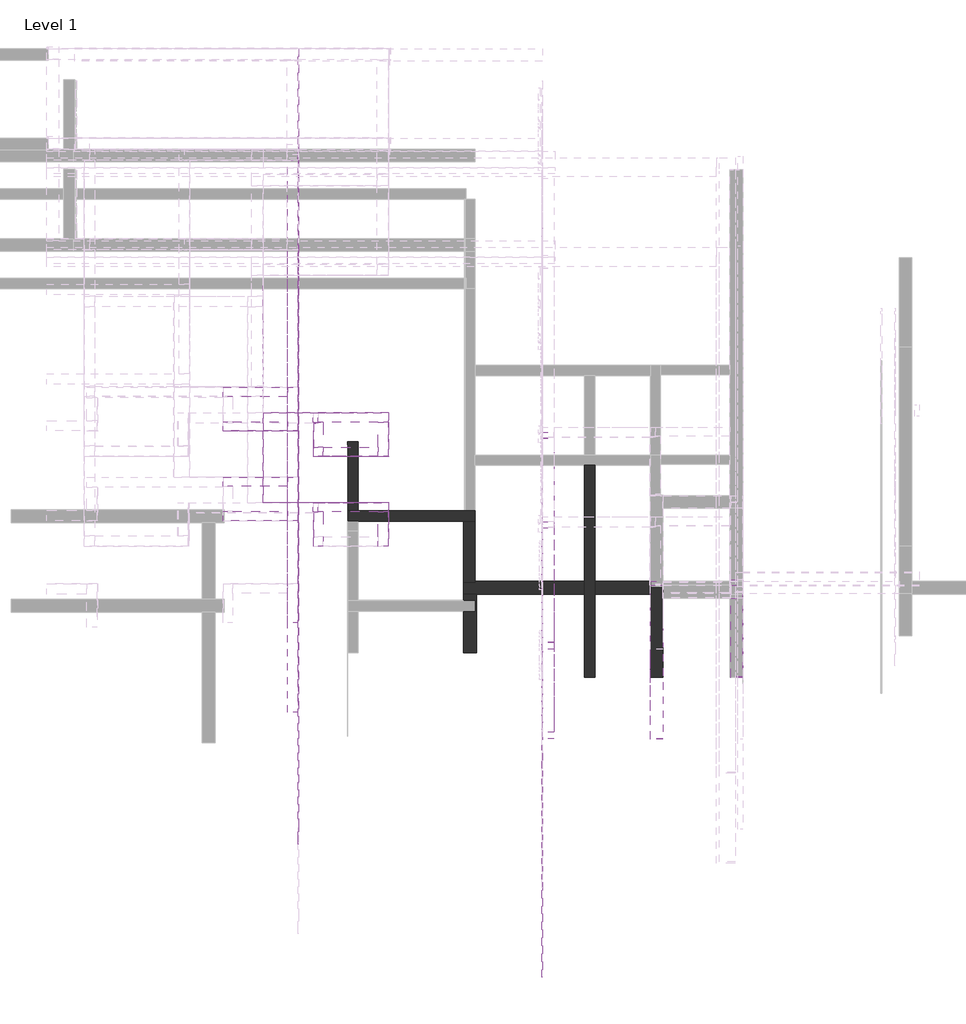
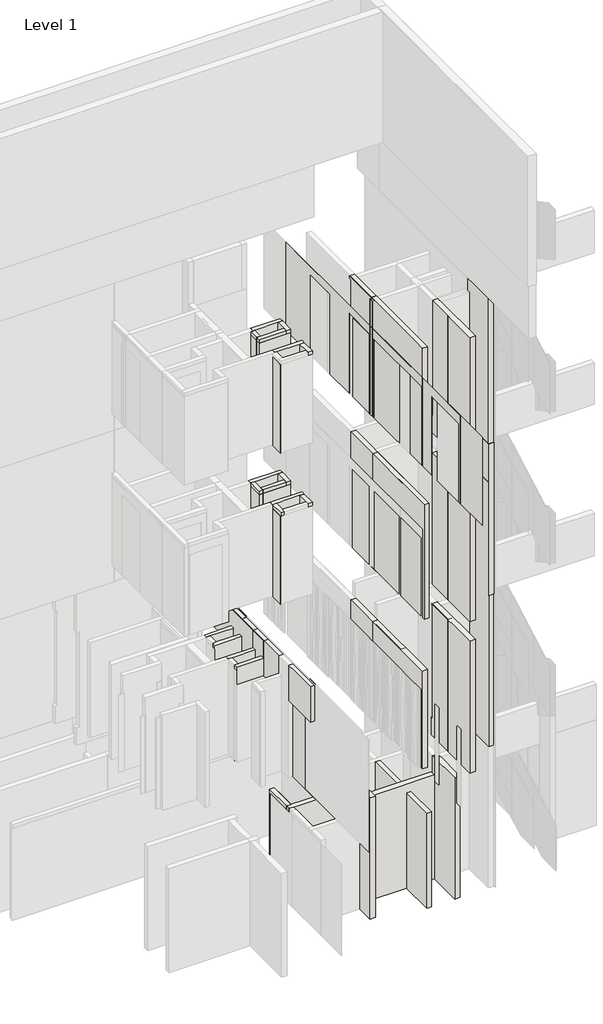
# One storey, part 4 of 16: 61 walls.
"""IFC4 building model written with IfcOpenShell, lengths in millimetres."""

from ifc_helpers import new_model, si_unit, frame, origin, origin_with_axes, place, context, project, spatial, polyline, outline, extrude, faceted_brep, element, save

model = new_model("IFC4")

# Units and contexts
model_context = context("Model", 3, world=origin())
ifc_project = project(units=[si_unit("LENGTHUNIT", "METRE", prefix="MILLI")], contexts=[model_context])

# Site, building, storey
site = spatial("IfcSite", under=ifc_project)
building = spatial("IfcBuilding", under=site)
storey = spatial("IfcBuildingStorey", under=building, Name="Level 1", Elevation=0.0)

# Walls
placement = place(None, origin())
element("IfcWall", 1, at=placement, inside=storey, context=model_context, shape_type="Brep", body=[
    faceted_brep([(10614.7910444, 3666.119403, 4000.0), (10614.7910444, 5264.119403, 4000.0), (10614.7910444, 5323.1090398, 4000.0), (10614.7910444, 5408.119403, 4000.0), (10614.7910444, 5454.1090398, 4000.0), (10614.7910444, 5454.1090398, 4500.0), (10614.7910444, 5421.619403, 4500.0), (10614.7910444, 5421.619403, 7745.0), (10614.7910444, 5408.119403, 7745.0), (10614.7910444, 5264.119403, 7745.0), (10614.7910444, 3666.119403, 7745.0), (10470.7910444, 3666.119403, 4000.0), (10470.7910444, 3666.119403, 7745.0), (10470.7910444, 5421.619403, 7745.0), (10470.7910444, 5421.619403, 4500.0), (10470.7910444, 5454.1090398, 4500.0), (10470.7910444, 5454.1090398, 4000.0), (10588.7910444, 5421.619403, 4500.0)], [[[0, 1, 2, 3, 4, 5, 6, 7, 8, 9, 10]], [[11, 12, 13, 14, 15, 16]], [[4, 3, 2, 1, 0, 11, 16]], [[10, 9, 8, 7, 13, 12]], [[0, 10, 12, 11]], [[7, 6, 17, 14, 13]], [[14, 17, 6, 5, 15]], [[5, 4, 16, 15]]]),
])
element("IfcWall", 2, at=placement, inside=storey, context=model_context, shape_type="Brep", body=[
    faceted_brep([(11519.7910453, 4372.619403, 4000.0), (11519.7910453, 5264.119403, 4000.0), (11519.7910453, 5264.119403, 7700.0), (11519.7910453, 5264.119403, 7745.0), (11519.7910453, 5264.119403, 11500.0), (11519.7910453, 4372.619403, 11500.0), (11388.7910453, 4372.619403, 4000.0), (11388.7910453, 4372.619403, 11500.0), (11388.7910453, 5264.119403, 11500.0), (11388.7910453, 5264.119403, 7745.0), (11388.7910453, 5264.119403, 7700.0), (11388.7910453, 5264.119403, 4000.0)], [[[0, 1, 2, 3, 4, 5]], [[6, 7, 8, 9, 10, 11]], [[1, 0, 6, 11]], [[5, 4, 8, 7]], [[0, 5, 7, 6]], [[1, 11, 10, 9, 8, 4, 3, 2]]]),
])
element("IfcWall", 3, at=placement, inside=storey, context=model_context, shape_type="Brep", body=[
    faceted_brep([(10614.7910444, 3666.119403, 8300.0), (10614.7910444, 5264.119403, 8300.0), (10614.7910444, 5310.1090398, 8300.0), (10614.7910444, 5408.119403, 8300.0), (10614.7910444, 5408.119403, 12045.0), (10614.7910444, 5310.1090398, 12045.0), (10614.7910444, 5264.119403, 12045.0), (10614.7910444, 3666.119403, 12045.0), (10470.7910444, 3666.119403, 8300.0), (10470.7910444, 3666.119403, 12045.0), (10470.7910444, 5408.119403, 12045.0), (10470.7910444, 5408.119403, 8300.0), (10588.7910444, 5408.119403, 12045.0)], [[[0, 1, 2, 3, 4, 5, 6, 7]], [[8, 9, 10, 11]], [[3, 2, 1, 0, 8, 11]], [[7, 6, 5, 4, 12, 10, 9]], [[0, 7, 9, 8]], [[3, 11, 10, 12, 4]]]),
])
element("IfcWall", 4, at=placement, inside=storey, context=model_context, shape_type="Brep", body=[
    faceted_brep([(11519.7910444, 4359.619403, 8300.0), (11519.7910444, 5470.4392718, 8300.0), (11519.7910444, 5470.4392718, 11908.0), (11519.7910444, 5393.9392718, 11908.0), (11519.7910444, 5393.9392718, 12045.0), (11519.7910444, 5393.9392718, 12600.0), (11519.7910444, 4359.619403, 12600.0), (11388.7910444, 4359.619403, 8300.0), (11388.7910444, 4359.619403, 12600.0), (11388.7910444, 5393.9392718, 12600.0), (11388.7910444, 5393.9392718, 11908.0), (11388.7910444, 5470.4392718, 11908.0), (11388.7910444, 5470.4392718, 8300.0), (11388.7910444, 5408.119403, 8300.0), (11388.7910444, 5264.119403, 8300.0)], [[[0, 1, 2, 3, 4, 5, 6]], [[7, 8, 9, 10, 11, 12, 13, 14]], [[1, 0, 7, 14, 13, 12]], [[6, 5, 9, 8]], [[0, 6, 8, 7]], [[1, 12, 11, 2]], [[10, 3, 2, 11]], [[5, 4, 3, 10, 9]]]),
])
element("IfcWall", 5, at=placement, inside=storey, context=model_context, shape_type="Brep", body=[
    faceted_brep([(10614.7910444, 3666.119403, 12600.0), (10614.7910444, 5264.119403, 12600.0), (10614.7910444, 5323.1090398, 12600.0), (10614.7910444, 5408.119403, 12600.0), (10614.7910444, 5408.119403, 16367.0), (10614.7910444, 5323.1090398, 16367.0), (10614.7910444, 5264.119403, 16367.0), (10614.7910444, 3666.119403, 16367.0), (10470.7910444, 3666.119403, 12600.0), (10470.7910444, 3666.119403, 16367.0), (10470.7910444, 5408.119403, 16367.0), (10470.7910444, 5408.119403, 12600.0), (10588.2910444, 5408.119403, 16367.0)], [[[0, 1, 2, 3, 4, 5, 6, 7]], [[8, 9, 10, 11]], [[3, 2, 1, 0, 8, 11]], [[7, 6, 5, 4, 12, 10, 9]], [[0, 7, 9, 8]], [[3, 11, 10, 12, 4]]]),
])
element("IfcWall", 6, at=placement, inside=storey, context=model_context, shape_type="Brep", body=[
    faceted_brep([(11514.2910444, 4372.619403, 12600.0), (11514.2910444, 5408.119403, 12600.0), (11514.2910444, 5408.119403, 16367.0), (11514.2910444, 5336.119403, 16367.0), (11514.2910444, 5336.119403, 16879.0), (11514.2910444, 4372.619403, 16879.0), (11383.2910444, 4372.619403, 12600.0), (11383.2910444, 4372.619403, 16879.0), (11383.2910444, 5336.119403, 16879.0), (11383.2910444, 5336.119403, 16367.0), (11383.2910444, 5408.119403, 16367.0), (11383.2910444, 5408.119403, 12600.0), (11383.2910444, 5336.119403, 12600.0), (11383.2910444, 5323.1090398, 12600.0), (11383.2910444, 5264.119403, 12600.0)], [[[0, 1, 2, 3, 4, 5]], [[6, 7, 8, 9, 10, 11, 12, 13, 14]], [[1, 0, 6, 14, 13, 12, 11]], [[5, 4, 8, 7]], [[0, 5, 7, 6]], [[4, 3, 9, 8]], [[9, 3, 2, 10]], [[2, 1, 11, 10]]]),
])
element("IfcWall", 7, at=placement, inside=storey, context=model_context, shape_type="SweptSolid", body=[
    extrude(outline(polyline([(9377.7910444, 6062.119403), (9377.7910444, 3742.119403), (9246.7910444, 3742.119403), (9246.7910444, 6062.119403), (9377.7910444, 6062.119403)])), frame((0.0, 0.0, 4500.0), z_axis=(0.0, 0.0, 1.0), x_axis=(1.0, 0.0, 0.0)), (0.0, 0.0, 1.0), 2779.0),
])
element("IfcWall", 8, at=placement, inside=storey, context=model_context, shape_type="SweptSolid", body=[
    extrude(outline(polyline([(9377.7910444, 6060.619403), (9377.7910444, 3666.119403), (9246.7910444, 3666.119403), (9246.7910444, 6060.619403), (9377.7910444, 6060.619403)])), frame((0.0, 0.0, 8800.0), z_axis=(0.0, 0.0, 1.0), x_axis=(1.0, 0.0, 0.0)), (0.0, 0.0, 1.0), 3245.0),
])
element("IfcWall", 9, at=placement, inside=storey, context=model_context, shape_type="SweptSolid", body=[
    extrude(outline(polyline([(3744.119403, 13100.0), (3744.119403, 16440.0), (6126.119403, 16440.0), (6126.119403, 16367.0), (6067.119403, 16367.0), (6067.119403, 13100.0), (3744.119403, 13100.0)])), frame((9246.7910453, 0.0, 0.0), z_axis=(1.0, 0.0, 0.0), x_axis=(0.0, 1.0, 0.0)), (0.0, 0.0, 1.0), 131.0),
])
element("IfcWall", 10, at=placement, inside=storey, context=model_context, shape_type="Brep", body=[
    faceted_brep([(10614.7910444, 4366.119403, 0.0), (10614.7910444, 5264.119403, 0.0), (10614.7910444, 5310.1090398, 0.0), (10614.7910444, 5382.1090398, 0.0), (10614.7910444, 5382.1090398, 2700.0), (10614.7910444, 5454.1090398, 2700.0), (10614.7910444, 5454.1090398, 2850.0), (10614.7910444, 5408.119403, 2850.0), (10614.7910444, 5408.119403, 3437.0370192), (10614.7910444, 4366.119403, 3437.0370192), (10470.7910444, 4366.119403, 0.0), (10470.7910444, 4366.119403, 3437.0370192), (10470.7910444, 5408.119403, 3437.0370192), (10470.7910444, 5408.119403, 2850.0), (10470.7910444, 5454.1090398, 2850.0), (10470.7910444, 5454.1090398, 2700.0), (10470.7910444, 5382.1090398, 2700.0), (10470.7910444, 5382.1090398, 0.0), (10470.7910444, 5310.1090398, 0.0), (10588.7910444, 5382.1090398, 0.0), (10588.7910444, 5382.1090398, 2700.0), (10588.7910444, 5454.1090398, 2700.0)], [[[0, 1, 2, 3, 4, 5, 6, 7, 8, 9]], [[10, 11, 12, 13, 14, 15, 16, 17, 18]], [[3, 2, 1, 0, 10, 18, 17, 19]], [[9, 8, 12, 11]], [[0, 9, 11, 10]], [[4, 3, 19, 17, 16, 20]], [[15, 21, 5, 4, 20, 16]], [[13, 7, 6, 14]], [[6, 5, 21, 15, 14]], [[7, 13, 12, 8]]]),
])
element("IfcWall", 11, at=placement, inside=storey, context=model_context, shape_type="Brep", body=[
    faceted_brep([(9841.7910444, 4366.119403, 0.0), (9841.7910444, 5310.1090398, 0.0), (9841.7910444, 5454.1090398, 0.0), (9841.7910444, 6767.119403, 0.0), (9841.7910444, 6767.119403, 2700.0), (9841.7910444, 5454.1090398, 2700.0), (9841.7910444, 5310.1090398, 2700.0), (9841.7910444, 4366.119403, 2700.0), (9723.7910444, 4366.119403, 0.0), (9723.7910444, 4366.119403, 2700.0), (9723.7910444, 5310.1090398, 2700.0), (9723.7910444, 5454.1090398, 2700.0), (9723.7910444, 6767.119403, 2700.0), (9723.7910444, 6767.119403, 0.0), (9723.7910444, 5454.1090398, 0.0), (9723.7910444, 5310.1090398, 0.0)], [[[0, 1, 2, 3, 4, 5, 6, 7]], [[8, 9, 10, 11, 12, 13, 14, 15]], [[3, 2, 1, 0, 8, 15, 14, 13]], [[7, 6, 5, 4, 12, 11, 10, 9]], [[0, 7, 9, 8]], [[4, 3, 13, 12]]]),
])
element("IfcWall", 12, at=placement, inside=storey, context=model_context, shape_type="Brep", body=[
    faceted_brep([(7504.7910444, 6345.119403, 13100.0), (6706.2910444, 6345.119403, 13100.0), (6706.2910444, 6345.119403, 15700.0), (7504.7910444, 6345.119403, 15700.0), (7504.7910444, 6240.119403, 13100.0), (7504.7910444, 6240.119403, 15700.0), (7386.7910444, 6240.119403, 15700.0), (6758.7910444, 6240.119403, 15700.0), (6706.2910444, 6240.119403, 15700.0), (6706.2910444, 6240.119403, 13100.0), (6758.7910444, 6240.119403, 13100.0), (7386.7910444, 6240.119403, 13100.0)], [[[0, 1, 2, 3]], [[4, 5, 6, 7, 8, 9, 10, 11]], [[1, 0, 4, 11, 10, 9]], [[2, 1, 9, 8]], [[3, 2, 8, 7, 6, 5]], [[0, 3, 5, 4]]]),
])
element("IfcWall", 13, at=placement, inside=storey, context=model_context, shape_type="Brep", body=[
    faceted_brep([(7386.7910444, 6240.119403, 13100.0), (7386.7910444, 5957.119403, 13100.0), (7386.7910444, 5852.119403, 13100.0), (7386.7910444, 5852.119403, 15700.0), (7386.7910444, 5957.119403, 15700.0), (7386.7910444, 6240.119403, 15700.0), (7504.7910444, 6240.119403, 13100.0), (7504.7910444, 6240.119403, 15700.0), (7504.7910444, 5852.119403, 15700.0), (7504.7910444, 5852.119403, 13100.0)], [[[0, 1, 2, 3, 4, 5]], [[6, 7, 8, 9]], [[2, 1, 0, 6, 9]], [[5, 4, 3, 8, 7]], [[3, 2, 9, 8]], [[0, 5, 7, 6]]]),
])
element("IfcWall", 14, at=placement, inside=storey, context=model_context, shape_type="Brep", body=[
    faceted_brep([(6083.7910444, 6347.119403, 8800.0), (6083.7910444, 7243.1090398, 8800.0), (6083.7910444, 7361.1090398, 8800.0), (6083.7910444, 8918.119403, 8800.0), (6083.7910444, 8920.119403, 8800.0), (6083.7910444, 8920.119403, 11300.0), (6083.7910444, 8918.119403, 11300.0), (6083.7910444, 7361.1090398, 11300.0), (6083.7910444, 7243.1090398, 11300.0), (6083.7910444, 6347.119403, 11300.0), (6081.7910444, 6347.119403, 8800.0), (6081.7910444, 6347.119403, 11300.0), (6081.7910444, 7243.1090398, 11300.0), (6081.7910444, 7361.1090398, 11300.0), (6081.7910444, 8920.119403, 11300.0), (6081.7910444, 8920.119403, 8800.0), (6081.7910444, 7361.1090398, 8800.0), (6081.7910444, 7243.1090398, 8800.0)], [[[0, 1, 2, 3, 4, 5, 6, 7, 8, 9]], [[10, 11, 12, 13, 14, 15, 16, 17]], [[4, 3, 2, 1, 0, 10, 17, 16, 15]], [[9, 8, 7, 6, 5, 14, 13, 12, 11]], [[5, 4, 15, 14]], [[0, 9, 11, 10]]]),
])
element("IfcWall", 15, at=placement, inside=storey, context=model_context, shape_type="Brep", body=[
    faceted_brep([(5628.7910444, 6142.119403, 4500.0), (6361.7910444, 6142.119403, 4500.0), (6361.7910444, 6142.119403, 7200.0), (5628.7910444, 6142.119403, 7200.0), (5628.7910444, 6247.119403, 4500.0), (5628.7910444, 6247.119403, 7200.0), (5733.7910444, 6247.119403, 7200.0), (6361.7910444, 6247.119403, 7200.0), (6361.7910444, 6247.119403, 4500.0), (5733.7910444, 6247.119403, 4500.0)], [[[0, 1, 2, 3]], [[4, 5, 6, 7, 8, 9]], [[1, 0, 4, 9, 8]], [[3, 2, 7, 6, 5]], [[0, 3, 5, 4]], [[1, 8, 7, 2]]]),
])
element("IfcWall", 16, at=placement, inside=storey, context=model_context, shape_type="Brep", body=[
    faceted_brep([(6361.7910444, 6635.119403, 4500.0), (6361.7910444, 6530.119403, 4500.0), (6361.7910444, 6247.119403, 4500.0), (6361.7910444, 6142.119403, 4500.0), (6361.7910444, 6142.119403, 7200.0), (6361.7910444, 6142.119403, 7700.0), (6361.7910444, 6635.119403, 7700.0), (6361.7910444, 6635.119403, 7200.0), (6479.7910444, 6635.119403, 4500.0), (6479.7910444, 6635.119403, 7700.0), (6479.7910444, 6142.119403, 7700.0), (6479.7910444, 6142.119403, 4508.0), (6479.7910444, 6142.119403, 4500.0)], [[[0, 1, 2, 3, 4, 5, 6, 7]], [[8, 9, 10, 11, 12]], [[3, 2, 1, 0, 8, 12]], [[6, 5, 10, 9]], [[0, 7, 6, 9, 8]], [[3, 12, 11, 10, 5, 4]]]),
])
element("IfcWall", 17, at=placement, inside=storey, context=model_context, shape_type="Brep", body=[
    faceted_brep([(5625.2910444, 6530.119403, 4500.0), (5628.7910444, 6530.119403, 4500.0), (5733.7910444, 6530.119403, 4500.0), (6361.7910444, 6530.119403, 4500.0), (6361.7910444, 6530.119403, 7200.0), (5733.7910444, 6530.119403, 7200.0), (5628.7910444, 6530.119403, 7200.0), (5625.2910444, 6530.119403, 7200.0), (5625.2910444, 6635.119403, 4500.0), (5625.2910444, 6635.119403, 7200.0), (6361.7910444, 6635.119403, 7200.0), (6361.7910444, 6635.119403, 4500.0)], [[[0, 1, 2, 3, 4, 5, 6, 7]], [[8, 9, 10, 11]], [[3, 2, 1, 0, 8, 11]], [[7, 6, 5, 4, 10, 9]], [[0, 7, 9, 8]], [[4, 3, 11, 10]]]),
])
element("IfcWall", 18, at=placement, inside=storey, context=model_context, shape_type="Brep", body=[
    faceted_brep([(7504.7910444, 6345.119403, 8800.0), (6647.6745009, 6345.119403, 8800.0), (6647.6745009, 6345.119403, 11400.0), (7504.7910444, 6345.119403, 11400.0), (7504.7910444, 6240.119403, 8800.0), (7504.7910444, 6240.119403, 11400.0), (7386.7910444, 6240.119403, 11400.0), (6758.7910444, 6240.119403, 11400.0), (6653.7910444, 6240.119403, 11400.0), (6647.6745009, 6240.119403, 11400.0), (6647.6745009, 6240.119403, 8800.0), (6653.7910444, 6240.119403, 8800.0), (6758.7910444, 6240.119403, 8800.0), (7386.7910444, 6240.119403, 8800.0)], [[[0, 1, 2, 3]], [[4, 5, 6, 7, 8, 9, 10, 11, 12, 13]], [[1, 0, 4, 13, 12, 11, 10]], [[2, 1, 10, 9]], [[3, 2, 9, 8, 7, 6, 5]], [[0, 3, 5, 4]]]),
])
element("IfcWall", 19, at=placement, inside=storey, context=model_context, shape_type="Brep", body=[
    faceted_brep([(7504.7910444, 5852.119403, 8800.0), (7504.7910444, 6240.119403, 8800.0), (7504.7910444, 6240.119403, 11400.0), (7504.7910444, 5852.119403, 11400.0), (7386.7910444, 5852.119403, 8800.0), (7386.7910444, 5852.119403, 11400.0), (7386.7910444, 5957.119403, 11400.0), (7386.7910444, 6240.119403, 11400.0), (7386.7910444, 6240.119403, 8800.0), (7386.7910444, 5957.119403, 8800.0)], [[[0, 1, 2, 3]], [[4, 5, 6, 7, 8, 9]], [[1, 0, 4, 9, 8]], [[3, 2, 7, 6, 5]], [[2, 1, 8, 7]], [[0, 3, 5, 4]]]),
])
element("IfcWall", 20, at=placement, inside=storey, context=model_context, shape_type="Brep", body=[
    faceted_brep([(6758.7910444, 5852.119403, 8800.0), (6758.7910444, 5957.119403, 8800.0), (6758.7910444, 6240.119403, 8800.0), (6758.7910444, 6240.119403, 11400.0), (6758.7910444, 5957.119403, 11400.0), (6758.7910444, 5852.119403, 11400.0), (6653.7910444, 5852.119403, 8800.0), (6653.7910444, 5852.119403, 11400.0), (6653.7910444, 6240.119403, 11400.0), (6653.7910444, 6240.119403, 8800.0)], [[[0, 1, 2, 3, 4, 5]], [[6, 7, 8, 9]], [[2, 1, 0, 6, 9]], [[5, 4, 3, 8, 7]], [[0, 5, 7, 6]], [[3, 2, 9, 8]]]),
])
element("IfcWall", 21, at=placement, inside=storey, context=model_context, shape_type="Brep", body=[
    faceted_brep([(6651.7910444, 6223.619403, 8800.0), (6651.7910444, 5850.119403, 8800.0), (6651.7910444, 5850.119403, 11300.0), (6651.7910444, 6223.619403, 11300.0), (6653.7910444, 6223.619403, 8800.0), (6653.7910444, 6223.619403, 11300.0), (6653.7910444, 5852.119403, 11300.0), (6653.7910444, 5850.119403, 11300.0), (6653.7910444, 5850.119403, 8800.0), (6653.7910444, 5852.119403, 8800.0)], [[[0, 1, 2, 3]], [[4, 5, 6, 7, 8, 9]], [[1, 0, 4, 9, 8]], [[3, 2, 7, 6, 5]], [[0, 3, 5, 4]], [[2, 1, 8, 7]]]),
])
element("IfcWall", 22, at=placement, inside=storey, context=model_context, shape_type="Brep", body=[
    faceted_brep([(7506.7910444, 5852.119403, 8800.0), (7506.7910444, 6347.119403, 8800.0), (7506.7910444, 6347.119403, 11300.0), (7506.7910444, 5852.119403, 11300.0), (7504.7910444, 5852.119403, 8800.0), (7504.7910444, 5852.119403, 11300.0), (7504.7910444, 6345.119403, 11300.0), (7504.7910444, 6347.119403, 11300.0), (7504.7910444, 6347.119403, 8800.0), (7504.7910444, 6345.119403, 8800.0)], [[[0, 1, 2, 3]], [[4, 5, 6, 7, 8, 9]], [[1, 0, 4, 9, 8]], [[3, 2, 7, 6, 5]], [[0, 3, 5, 4]], [[2, 1, 8, 7]]]),
])
element("IfcWall", 23, at=placement, inside=storey, context=model_context, shape_type="Brep", body=[
    faceted_brep([(7504.7910444, 6347.119403, 8800.0), (6083.7910444, 6347.119403, 8800.0), (6081.7910444, 6347.119403, 8800.0), (6081.7910444, 6347.119403, 11300.0), (6083.7910444, 6347.119403, 11300.0), (7504.7910444, 6347.119403, 11300.0), (7504.7910444, 6345.119403, 8800.0), (7504.7910444, 6345.119403, 11300.0), (6081.7910444, 6345.119403, 11300.0), (6081.7910444, 6345.119403, 8800.0)], [[[0, 1, 2, 3, 4, 5]], [[6, 7, 8, 9]], [[2, 1, 0, 6, 9]], [[5, 4, 3, 8, 7]], [[0, 5, 7, 6]], [[3, 2, 9, 8]]]),
])
element("IfcWall", 24, at=placement, inside=storey, context=model_context, shape_type="Brep", body=[
    faceted_brep([(6651.7910444, 6223.619403, 13100.0), (6651.7910444, 5850.119403, 13100.0), (6651.7910444, 5850.119403, 15600.0), (6651.7910444, 6223.619403, 15600.0), (6653.7910444, 6223.619403, 13100.0), (6653.7910444, 6223.619403, 15600.0), (6653.7910444, 5852.119403, 15600.0), (6653.7910444, 5850.119403, 15600.0), (6653.7910444, 5850.119403, 13100.0), (6653.7910444, 5852.119403, 13100.0)], [[[0, 1, 2, 3]], [[4, 5, 6, 7, 8, 9]], [[1, 0, 4, 9, 8]], [[3, 2, 7, 6, 5]], [[0, 3, 5, 4]], [[2, 1, 8, 7]]]),
])
element("IfcWall", 25, at=placement, inside=storey, context=model_context, shape_type="Brep", body=[
    faceted_brep([(7506.7910444, 5852.119403, 13100.0), (7506.7910444, 6347.119403, 13100.0), (7506.7910444, 6347.119403, 15600.0), (7506.7910444, 5852.119403, 15600.0), (7504.7910444, 5852.119403, 13100.0), (7504.7910444, 5852.119403, 15600.0), (7504.7910444, 6345.119403, 15600.0), (7504.7910444, 6347.119403, 15600.0), (7504.7910444, 6347.119403, 13100.0), (7504.7910444, 6345.119403, 13100.0)], [[[0, 1, 2, 3]], [[4, 5, 6, 7, 8, 9]], [[1, 0, 4, 9, 8]], [[3, 2, 7, 6, 5]], [[0, 3, 5, 4]], [[2, 1, 8, 7]]]),
])
element("IfcWall", 26, at=placement, inside=storey, context=model_context, shape_type="Brep", body=[
    faceted_brep([(7504.7910444, 6347.119403, 13100.0), (6083.7910444, 6347.119403, 13100.0), (6081.7910444, 6347.119403, 13100.0), (6081.7910444, 6347.119403, 15600.0), (6083.7910444, 6347.119403, 15600.0), (7504.7910444, 6347.119403, 15600.0), (7504.7910444, 6345.119403, 13100.0), (7504.7910444, 6345.119403, 15600.0), (6081.7910444, 6345.119403, 15600.0), (6081.7910444, 6345.119403, 13100.0)], [[[0, 1, 2, 3, 4, 5]], [[6, 7, 8, 9]], [[2, 1, 0, 6, 9]], [[5, 4, 3, 8, 7]], [[0, 5, 7, 6]], [[3, 2, 9, 8]]]),
])
element("IfcWall", 27, at=placement, inside=storey, context=model_context, shape_type="Brep", body=[
    faceted_brep([(6083.7910444, 6347.119403, 13100.0), (6083.7910444, 7243.1090398, 13100.0), (6083.7910444, 7361.1090398, 13100.0), (6083.7910444, 8918.119403, 13100.0), (6083.7910444, 8920.119403, 13100.0), (6083.7910444, 8920.119403, 15600.0), (6083.7910444, 8918.119403, 15600.0), (6083.7910444, 7361.1090398, 15600.0), (6083.7910444, 7243.1090398, 15600.0), (6083.7910444, 6347.119403, 15600.0), (6081.7910444, 6347.119403, 13100.0), (6081.7910444, 6347.119403, 15600.0), (6081.7910444, 7243.1090398, 15600.0), (6081.7910444, 7361.1090398, 15600.0), (6081.7910444, 8920.119403, 15600.0), (6081.7910444, 8920.119403, 13100.0), (6081.7910444, 7361.1090398, 13100.0), (6081.7910444, 7243.1090398, 13100.0)], [[[0, 1, 2, 3, 4, 5, 6, 7, 8, 9]], [[10, 11, 12, 13, 14, 15, 16, 17]], [[4, 3, 2, 1, 0, 10, 17, 16, 15]], [[9, 8, 7, 6, 5, 14, 13, 12, 11]], [[0, 9, 11, 10]], [[5, 4, 15, 14]]]),
])
element("IfcWall", 28, at=placement, inside=storey, context=model_context, shape_type="SweptSolid", body=[
    extrude(outline(polyline([(6361.7910444, 3969.619403), (6361.7910444, 9210.119403), (6479.7910444, 9210.119403), (6479.7910444, 3969.619403), (6361.7910444, 3969.619403)])), frame((0.0, 0.0, 6700.0), z_axis=(0.0, 0.0, 1.0), x_axis=(1.0, 0.0, 0.0)), (0.0, 0.0, 1.0), 1000.0),
])
element("IfcWall", 29, at=placement, inside=storey, context=model_context, shape_type="Brep", body=[
    faceted_brep([(9377.7910444, 4758.1090398, 4500.0), (9377.7910444, 6067.119403, 4500.0), (9377.7910444, 6185.119403, 4500.0), (9377.7910444, 7078.1090398, 4500.0), (9377.7910444, 7078.1090398, 7279.0), (9377.7910444, 4758.1090398, 7279.0), (9246.7910444, 4758.1090398, 4500.0), (9246.7910444, 4758.1090398, 7279.0), (9246.7910444, 7078.1090398, 7279.0), (9246.7910444, 7078.1090398, 4500.0)], [[[0, 1, 2, 3, 4, 5]], [[6, 7, 8, 9]], [[3, 2, 1, 0, 6, 9]], [[4, 3, 9, 8]], [[5, 4, 8, 7]], [[0, 5, 7, 6]]]),
])
element("IfcWall", 30, at=placement, inside=storey, context=model_context, shape_type="Brep", body=[
    faceted_brep([(9377.7910444, 4682.1090398, 8800.0), (9377.7910444, 6067.119403, 8800.0), (9377.7910444, 6185.119403, 8800.0), (9377.7910444, 7076.6090398, 8800.0), (9377.7910444, 7076.6090398, 12045.0), (9377.7910444, 6185.119403, 12045.0), (9377.7910444, 6067.119403, 12045.0), (9377.7910444, 4682.1090398, 12045.0), (9246.7910444, 4682.1090398, 8800.0), (9246.7910444, 4682.1090398, 12045.0), (9246.7910444, 7076.6090398, 12045.0), (9246.7910444, 7076.6090398, 8800.0)], [[[0, 1, 2, 3, 4, 5, 6, 7]], [[8, 9, 10, 11]], [[3, 2, 1, 0, 8, 11]], [[4, 3, 11, 10]], [[7, 6, 5, 4, 10, 9]], [[0, 7, 9, 8]]]),
])
element("IfcWall", 31, at=placement, inside=storey, context=model_context, shape_type="SweptSolid", body=[
    extrude(outline(polyline([(4760.1090398, 13100.0), (4760.1090398, 16440.0), (7142.1090398, 16440.0), (7142.1090398, 16367.0), (7083.1090398, 16367.0), (7083.1090398, 13100.0), (4760.1090398, 13100.0)])), frame((9246.7910453, 0.0, 0.0), z_axis=(1.0, 0.0, 0.0), x_axis=(0.0, 1.0, 0.0)), (0.0, 0.0, 1.0), 131.0),
])
element("IfcWall", 32, at=placement, inside=storey, context=model_context, shape_type="Brep", body=[
    faceted_brep([(8499.7910444, 4642.1090398, 0.0), (8499.7910444, 5310.1090398, 0.0), (8499.7910444, 5310.1090398, 3446.0), (8499.7910444, 4642.1090398, 3446.0), (8355.7910444, 4642.1090398, 0.0), (8355.7910444, 4642.1090398, 3446.0), (8355.7910444, 5310.1090398, 3446.0), (8355.7910444, 5310.1090398, 2950.0), (8355.7910444, 5310.1090398, 0.0), (8355.7910444, 5237.4496323, 0.0), (8355.7910444, 5235.4496323, 0.0)], [[[0, 1, 2, 3]], [[4, 5, 6, 7, 8, 9, 10]], [[1, 0, 4, 10, 9, 8]], [[3, 2, 6, 5]], [[0, 3, 5, 4]], [[2, 1, 8, 7, 6]]]),
])
element("IfcWall", 33, at=placement, inside=storey, context=model_context, shape_type="Brep", body=[
    faceted_brep([(8355.7910444, 5454.1090398, 2950.0), (10470.7910444, 5454.1090398, 2950.0), (10470.7910444, 5454.1090398, 2850.0), (10470.7910444, 5454.1090398, 2700.0), (10470.7910444, 5454.1090398, 0.0), (9841.7910444, 5454.1090398, 0.0), (9841.7910444, 5454.1090398, 2700.0), (9723.7910444, 5454.1090398, 2700.0), (9723.7910444, 5454.1090398, 0.0), (8355.7910444, 5454.1090398, 0.0), (10470.7910444, 5310.1090398, 2950.0), (8355.7910444, 5310.1090398, 2950.0), (8355.7910444, 5310.1090398, 0.0), (8499.7910444, 5310.1090398, 0.0), (9723.7910444, 5310.1090398, 0.0), (9723.7910444, 5310.1090398, 2700.0), (9841.7910444, 5310.1090398, 2700.0), (9841.7910444, 5310.1090398, 0.0), (10470.7910444, 5310.1090398, 0.0), (10470.7910444, 5408.119403, 0.0), (10470.7910444, 5382.1090398, 0.0)], [[[0, 1, 2, 3, 4, 5, 6, 7, 8, 9]], [[10, 11, 12, 13, 14, 15, 16, 17, 18]], [[12, 9, 8, 14, 13]], [[4, 19, 20, 18, 17, 5]], [[1, 0, 11, 10]], [[0, 9, 12, 11]], [[1, 10, 18, 20, 19, 4, 3, 2]], [[16, 6, 5, 17]], [[7, 15, 14, 8]], [[6, 16, 15, 7]]]),
])
element("IfcWall", 34, at=placement, inside=storey, context=model_context, shape_type="Brep", body=[
    faceted_brep([(8486.7910444, 6251.4392691, 2700.0), (8486.7910444, 6251.4392691, 0.0), (8368.7910444, 6251.4392691, 0.0), (8366.7910444, 6251.4392691, 0.0), (7158.7910444, 6251.4392691, 0.0), (7156.7910444, 6251.4392691, 0.0), (7038.7910444, 6251.4392691, 0.0), (7038.7910444, 6251.4392691, 2700.0), (7156.7910444, 6251.4392691, 2700.0), (7158.7910444, 6251.4392691, 2700.0), (8368.7910444, 6251.4392691, 2700.0), (8486.7910444, 6133.4392691, 0.0), (8486.7910444, 6133.4392691, 2700.0), (8355.7910444, 6133.4392691, 2700.0), (7156.7910444, 6133.4392691, 2700.0), (7038.7910444, 6133.4392691, 2700.0), (7038.7910444, 6133.4392691, 0.0), (7156.7910444, 6133.4392691, 0.0), (8355.7910444, 6133.4392691, 0.0), (8486.7910444, 6192.4392691, 2700.0)], [[[0, 1, 2, 3, 4, 5, 6, 7, 8, 9, 10]], [[11, 12, 13, 14, 15, 16, 17, 18]], [[6, 5, 4, 3, 2, 1, 11, 18, 17, 16]], [[0, 10, 9, 8, 7, 15, 14, 13, 12, 19]], [[7, 6, 16, 15]], [[0, 19, 12, 11, 1]]]),
])
element("IfcWall", 35, at=placement, inside=storey, context=model_context, shape_type="Brep", body=[
    faceted_brep([(8486.7910444, 5441.1090398, 0.0), (8486.7910444, 6133.4392691, 0.0), (8486.7910444, 6133.4392691, 2700.0), (8486.7910444, 6192.4392691, 2700.0), (8486.7910444, 6192.4392691, 3445.0), (8486.7910444, 5441.1090398, 3445.0), (8355.7910444, 5441.1090398, 0.0), (8355.7910444, 5441.1090398, 3445.0), (8355.7910444, 6192.4392691, 3445.0), (8355.7910444, 6192.4392691, 2700.0), (8355.7910444, 6133.4392691, 2700.0), (8355.7910444, 6133.4392691, 0.0), (8368.7910444, 6192.4392691, 3445.0), (8368.7910444, 6192.4392691, 2700.0)], [[[0, 1, 2, 3, 4, 5]], [[6, 7, 8, 9, 10, 11]], [[1, 0, 6, 11]], [[5, 4, 12, 8, 7]], [[0, 5, 7, 6]], [[4, 3, 13, 9, 8, 12]], [[9, 13, 3, 2, 10]], [[2, 1, 11, 10]]]),
])
element("IfcWall", 36, at=placement, inside=storey, context=model_context, shape_type="Brep", body=[
    faceted_brep([(7504.7910444, 7361.1090398, 13100.0), (6706.2910444, 7361.1090398, 13100.0), (6706.2910444, 7361.1090398, 15700.0), (7504.7910444, 7361.1090398, 15700.0), (7504.7910444, 7256.1090398, 13100.0), (7504.7910444, 7256.1090398, 15700.0), (7386.7910444, 7256.1090398, 15700.0), (6758.7910444, 7256.1090398, 15700.0), (6706.2910444, 7256.1090398, 15700.0), (6706.2910444, 7256.1090398, 13100.0), (6758.7910444, 7256.1090398, 13100.0), (7386.7910444, 7256.1090398, 13100.0)], [[[0, 1, 2, 3]], [[4, 5, 6, 7, 8, 9, 10, 11]], [[1, 0, 4, 11, 10, 9]], [[2, 1, 9, 8]], [[3, 2, 8, 7, 6, 5]], [[0, 3, 5, 4]]]),
])
element("IfcWall", 37, at=placement, inside=storey, context=model_context, shape_type="Brep", body=[
    faceted_brep([(7038.7910444, 7038.4392691, 0.0), (7038.7910444, 6251.4392691, 0.0), (7038.7910444, 6251.4392691, 2700.0), (7038.7910444, 7038.4392691, 2700.0), (7156.7910444, 7038.4392691, 0.0), (7156.7910444, 7038.4392691, 2700.0), (7156.7910444, 6251.4392691, 2700.0), (7156.7910444, 6251.4392691, 2600.0), (7156.7910444, 6251.4392691, 0.0), (7156.7910444, 6253.4392691, 0.0)], [[[0, 1, 2, 3]], [[4, 5, 6, 7, 8, 9]], [[1, 0, 4, 9, 8]], [[3, 2, 6, 5]], [[0, 3, 5, 4]], [[1, 8, 7, 6, 2]]]),
])
element("IfcWall", 38, at=placement, inside=storey, context=model_context, shape_type="Brep", body=[
    faceted_brep([(7386.7910444, 7256.1090398, 13100.0), (7386.7910444, 6973.1090398, 13100.0), (7386.7910444, 6868.1090398, 13100.0), (7386.7910444, 6868.1090398, 15700.0), (7386.7910444, 6973.1090398, 15700.0), (7386.7910444, 7256.1090398, 15700.0), (7504.7910444, 7256.1090398, 13100.0), (7504.7910444, 7256.1090398, 15700.0), (7504.7910444, 6868.1090398, 15700.0), (7504.7910444, 6868.1090398, 13100.0)], [[[0, 1, 2, 3, 4, 5]], [[6, 7, 8, 9]], [[2, 1, 0, 6, 9]], [[5, 4, 3, 8, 7]], [[3, 2, 9, 8]], [[0, 5, 7, 6]]]),
])
element("IfcWall", 39, at=placement, inside=storey, context=model_context, shape_type="Brep", body=[
    faceted_brep([(7386.7910444, 6973.1090398, 13100.0), (6758.7910444, 6973.1090398, 13100.0), (6653.7910444, 6973.1090398, 13100.0), (6653.7910444, 6973.1090398, 15700.0), (6758.7910444, 6973.1090398, 15700.0), (7386.7910444, 6973.1090398, 15700.0), (7386.7910444, 6868.1090398, 13100.0), (7386.7910444, 6868.1090398, 15700.0), (6653.7910444, 6868.1090398, 15700.0), (6653.7910444, 6868.1090398, 13100.0)], [[[0, 1, 2, 3, 4, 5]], [[6, 7, 8, 9]], [[2, 1, 0, 6, 9]], [[5, 4, 3, 8, 7]], [[0, 5, 7, 6]], [[3, 2, 9, 8]]]),
])
element("IfcWall", 40, at=placement, inside=storey, context=model_context, shape_type="SweptSolid", body=[
    extrude(outline(polyline([(6758.7910444, 7256.1090398), (6758.7910444, 6973.1090398), (6653.7910444, 6973.1090398), (6653.7910444, 7243.1090398), (6706.2910444, 7243.1090398), (6706.2910444, 7256.1090398), (6758.7910444, 7256.1090398)])), frame((0.0, 0.0, 13100.0), z_axis=(0.0, 0.0, 1.0), x_axis=(1.0, 0.0, 0.0)), (0.0, 0.0, 1.0), 2600.0),
])
element("IfcWall", 41, at=placement, inside=storey, context=model_context, shape_type="SweptSolid", body=[
    extrude(outline(polyline([(8368.7910444, 6251.4392691), (7156.7910444, 6251.4392691), (7156.7910444, 6253.4392691), (8368.7910444, 6253.4392691), (8368.7910444, 6251.4392691)])), origin_with_axes(), (0.0, 0.0, 1.0), 2600.0),
])
element("IfcWall", 42, at=placement, inside=storey, context=model_context, shape_type="SweptSolid", body=[
    extrude(outline(polyline([(7158.7910444, 6838.4392691), (7158.7910444, 6251.4392691), (7156.7910444, 6251.4392691), (7156.7910444, 6838.4392691), (7158.7910444, 6838.4392691)])), origin_with_axes(), (0.0, 0.0, 1.0), 2700.0),
])
element("IfcWall", 43, at=placement, inside=storey, context=model_context, shape_type="Brep", body=[
    faceted_brep([(5628.7910444, 7156.1090398, 4500.0), (6479.7910444, 7156.1090398, 4500.0), (6479.7910444, 7156.1090398, 4508.0), (6481.7910444, 7156.1090398, 4508.0), (6481.7910444, 7156.1090398, 6700.0), (5628.7910444, 7156.1090398, 6700.0), (5628.7910444, 7158.1090398, 4500.0), (5628.7910444, 7158.1090398, 6700.0), (6479.7910444, 7158.1090398, 6700.0), (6481.7910444, 7158.1090398, 6700.0), (6481.7910444, 7158.1090398, 4508.0), (6479.7910444, 7158.1090398, 4508.0), (6479.7910444, 7158.1090398, 4500.0), (6361.7910444, 7158.1090398, 4500.0)], [[[0, 1, 2, 3, 4, 5]], [[6, 7, 8, 9, 10, 11, 12, 13]], [[1, 0, 6, 13, 12]], [[5, 4, 9, 8, 7]], [[0, 5, 7, 6]], [[10, 3, 2, 11]], [[2, 1, 12, 11]], [[4, 3, 10, 9]]]),
])
element("IfcWall", 44, at=placement, inside=storey, context=model_context, shape_type="Brep", body=[
    faceted_brep([(6479.7910444, 5426.1090398, 4500.0), (6479.7910444, 2475.1090398, 4500.0), (6479.7910444, 2475.1090398, 7675.0), (6479.7910444, 2760.1090398, 7675.0), (6479.7910444, 2760.1090398, 7745.0), (6479.7910444, 11490.1090398, 7745.0), (6479.7910444, 11490.1090398, 4508.0), (6479.7910444, 10224.1090398, 4508.0), (6479.7910444, 10224.1090398, 6700.0), (6479.7910444, 7653.1090398, 6700.0), (6479.7910444, 7651.1090398, 6700.0), (6479.7910444, 7651.1090398, 4508.0), (6479.7910444, 7158.1090398, 4508.0), (6479.7910444, 7158.1090398, 6700.0), (6479.7910444, 5428.1090398, 6700.0), (6479.7910444, 5426.1090398, 6700.0), (6481.7910444, 2475.1090398, 4500.0), (6481.7910444, 5426.1090398, 4500.0), (6481.7910444, 5426.1090398, 6700.0), (6481.7910444, 5428.1090398, 6700.0), (6481.7910444, 7156.1090398, 6700.0), (6481.7910444, 7158.1090398, 6700.0), (6481.7910444, 7158.1090398, 4508.0), (6481.7910444, 7651.1090398, 4508.0), (6481.7910444, 7651.1090398, 6700.0), (6481.7910444, 7653.1090398, 6700.0), (6481.7910444, 10224.1090398, 6700.0), (6481.7910444, 10224.1090398, 4508.0), (6481.7910444, 11490.1090398, 4508.0), (6481.7910444, 11490.1090398, 7745.0), (6481.7910444, 2760.1090398, 7745.0), (6481.7910444, 2760.1090398, 7675.0), (6481.7910444, 2475.1090398, 7675.0)], [[[0, 1, 2, 3, 4, 5, 6, 7, 8, 9, 10, 11, 12, 13, 14, 15]], [[16, 17, 18, 19, 20, 21, 22, 23, 24, 25, 26, 27, 28, 29, 30, 31, 32]], [[1, 0, 17, 16]], [[2, 1, 16, 32]], [[5, 4, 30, 29]], [[3, 2, 32, 31]], [[4, 3, 31, 30]], [[15, 14, 13, 21, 20, 19, 18]], [[0, 15, 18, 17]], [[7, 6, 28, 27]], [[10, 9, 8, 26, 25, 24]], [[12, 11, 23, 22]], [[13, 12, 22, 21]], [[11, 10, 24, 23]], [[6, 5, 29, 28]], [[8, 7, 27, 26]]]),
])
element("IfcWall", 45, at=placement, inside=storey, context=model_context, shape_type="Brep", body=[
    faceted_brep([(5628.7910444, 7158.1090398, 4500.0), (6361.7910444, 7158.1090398, 4500.0), (6361.7910444, 7158.1090398, 7200.0), (5628.7910444, 7158.1090398, 7200.0), (5628.7910444, 7263.1090398, 4500.0), (5628.7910444, 7263.1090398, 7200.0), (5733.7910444, 7263.1090398, 7200.0), (6361.7910444, 7263.1090398, 7200.0), (6361.7910444, 7263.1090398, 4500.0), (5733.7910444, 7263.1090398, 4500.0)], [[[0, 1, 2, 3]], [[4, 5, 6, 7, 8, 9]], [[1, 0, 4, 9, 8]], [[3, 2, 7, 6, 5]], [[0, 3, 5, 4]], [[1, 8, 7, 2]]]),
])
element("IfcWall", 46, at=placement, inside=storey, context=model_context, shape_type="Brep", body=[
    faceted_brep([(6361.7910444, 7651.1090398, 4500.0), (6361.7910444, 7546.1090398, 4500.0), (6361.7910444, 7263.1090398, 4500.0), (6361.7910444, 7158.1090398, 4500.0), (6361.7910444, 7158.1090398, 7200.0), (6361.7910444, 7158.1090398, 7700.0), (6361.7910444, 7651.1090398, 7700.0), (6361.7910444, 7651.1090398, 7200.0), (6479.7910444, 7651.1090398, 4500.0), (6479.7910444, 7651.1090398, 7700.0), (6479.7910444, 7158.1090398, 7700.0), (6479.7910444, 7158.1090398, 4508.0), (6479.7910444, 7158.1090398, 4500.0)], [[[0, 1, 2, 3, 4, 5, 6, 7]], [[8, 9, 10, 11, 12]], [[3, 2, 1, 0, 8, 12]], [[6, 5, 10, 9]], [[0, 7, 6, 9, 8]], [[3, 12, 11, 10, 5, 4]]]),
])
element("IfcWall", 47, at=placement, inside=storey, context=model_context, shape_type="Brep", body=[
    faceted_brep([(5625.2910444, 7546.1090398, 4500.0), (5628.7910444, 7546.1090398, 4500.0), (5733.7910444, 7546.1090398, 4500.0), (6361.7910444, 7546.1090398, 4500.0), (6361.7910444, 7546.1090398, 7200.0), (5733.7910444, 7546.1090398, 7200.0), (5628.7910444, 7546.1090398, 7200.0), (5625.2910444, 7546.1090398, 7200.0), (5625.2910444, 7651.1090398, 4500.0), (5625.2910444, 7651.1090398, 7200.0), (6361.7910444, 7651.1090398, 7200.0), (6361.7910444, 7651.1090398, 4500.0)], [[[0, 1, 2, 3, 4, 5, 6, 7]], [[8, 9, 10, 11]], [[3, 2, 1, 0, 8, 11]], [[7, 6, 5, 4, 10, 9]], [[0, 7, 9, 8]], [[4, 3, 11, 10]]]),
])
element("IfcWall", 48, at=placement, inside=storey, context=model_context, shape_type="Brep", body=[
    faceted_brep([(7504.7910444, 7361.1090398, 8800.0), (6647.6745009, 7361.1090398, 8800.0), (6647.6745009, 7361.1090398, 11400.0), (7504.7910444, 7361.1090398, 11400.0), (7504.7910444, 7256.1090398, 8800.0), (7504.7910444, 7256.1090398, 11400.0), (7386.7910444, 7256.1090398, 11400.0), (6758.7910444, 7256.1090398, 11400.0), (6653.7910444, 7256.1090398, 11400.0), (6647.6745009, 7256.1090398, 11400.0), (6647.6745009, 7256.1090398, 8800.0), (6653.7910444, 7256.1090398, 8800.0), (6758.7910444, 7256.1090398, 8800.0), (7386.7910444, 7256.1090398, 8800.0)], [[[0, 1, 2, 3]], [[4, 5, 6, 7, 8, 9, 10, 11, 12, 13]], [[1, 0, 4, 13, 12, 11, 10]], [[2, 1, 10, 9]], [[3, 2, 9, 8, 7, 6, 5]], [[0, 3, 5, 4]]]),
])
element("IfcWall", 49, at=placement, inside=storey, context=model_context, shape_type="Brep", body=[
    faceted_brep([(7504.7910444, 6868.1090398, 8800.0), (7504.7910444, 7256.1090398, 8800.0), (7504.7910444, 7256.1090398, 11400.0), (7504.7910444, 6868.1090398, 11400.0), (7386.7910444, 6868.1090398, 8800.0), (7386.7910444, 6868.1090398, 11400.0), (7386.7910444, 6973.1090398, 11400.0), (7386.7910444, 7256.1090398, 11400.0), (7386.7910444, 7256.1090398, 8800.0), (7386.7910444, 6973.1090398, 8800.0)], [[[0, 1, 2, 3]], [[4, 5, 6, 7, 8, 9]], [[1, 0, 4, 9, 8]], [[3, 2, 7, 6, 5]], [[2, 1, 8, 7]], [[0, 3, 5, 4]]]),
])
element("IfcWall", 50, at=placement, inside=storey, context=model_context, shape_type="SweptSolid", body=[
    extrude(outline(polyline([(6758.7910444, 6973.1090398), (7386.7910444, 6973.1090398), (7386.7910444, 6868.1090398), (6758.7910444, 6868.1090398), (6758.7910444, 6973.1090398)])), frame((0.0, 0.0, 8800.0), z_axis=(0.0, 0.0, 1.0), x_axis=(1.0, 0.0, 0.0)), (0.0, 0.0, 1.0), 2600.0),
])
element("IfcWall", 51, at=placement, inside=storey, context=model_context, shape_type="Brep", body=[
    faceted_brep([(6758.7910444, 6868.1090398, 8800.0), (6758.7910444, 6973.1090398, 8800.0), (6758.7910444, 7256.1090398, 8800.0), (6758.7910444, 7256.1090398, 11400.0), (6758.7910444, 6973.1090398, 11400.0), (6758.7910444, 6868.1090398, 11400.0), (6653.7910444, 6868.1090398, 8800.0), (6653.7910444, 6868.1090398, 11400.0), (6653.7910444, 7256.1090398, 11400.0), (6653.7910444, 7256.1090398, 8800.0)], [[[0, 1, 2, 3, 4, 5]], [[6, 7, 8, 9]], [[2, 1, 0, 6, 9]], [[5, 4, 3, 8, 7]], [[0, 5, 7, 6]], [[3, 2, 9, 8]]]),
])
element("IfcWall", 52, at=placement, inside=storey, context=model_context, shape_type="Brep", body=[
    faceted_brep([(6651.7910444, 7239.6090398, 8800.0), (6651.7910444, 6866.1090398, 8800.0), (6651.7910444, 6866.1090398, 11300.0), (6651.7910444, 7239.6090398, 11300.0), (6653.7910444, 7239.6090398, 8800.0), (6653.7910444, 7239.6090398, 11300.0), (6653.7910444, 6868.1090398, 11300.0), (6653.7910444, 6866.1090398, 11300.0), (6653.7910444, 6866.1090398, 8800.0), (6653.7910444, 6868.1090398, 8800.0)], [[[0, 1, 2, 3]], [[4, 5, 6, 7, 8, 9]], [[1, 0, 4, 9, 8]], [[3, 2, 7, 6, 5]], [[0, 3, 5, 4]], [[2, 1, 8, 7]]]),
])
element("IfcWall", 53, at=placement, inside=storey, context=model_context, shape_type="Brep", body=[
    faceted_brep([(6653.7910444, 6866.1090398, 8800.0), (7506.7910444, 6866.1090398, 8800.0), (7506.7910444, 6866.1090398, 11300.0), (6653.7910444, 6866.1090398, 11300.0), (6653.7910444, 6868.1090398, 8800.0), (6653.7910444, 6868.1090398, 11300.0), (7504.7910444, 6868.1090398, 11300.0), (7506.7910444, 6868.1090398, 11300.0), (7506.7910444, 6868.1090398, 8800.0), (7504.7910444, 6868.1090398, 8800.0)], [[[0, 1, 2, 3]], [[4, 5, 6, 7, 8, 9]], [[1, 0, 4, 9, 8]], [[3, 2, 7, 6, 5]], [[0, 3, 5, 4]], [[2, 1, 8, 7]]]),
])
element("IfcWall", 54, at=placement, inside=storey, context=model_context, shape_type="Brep", body=[
    faceted_brep([(7506.7910444, 6868.1090398, 8800.0), (7506.7910444, 7363.1090398, 8800.0), (7506.7910444, 7363.1090398, 11300.0), (7506.7910444, 6868.1090398, 11300.0), (7504.7910444, 6868.1090398, 8800.0), (7504.7910444, 6868.1090398, 11300.0), (7504.7910444, 7361.1090398, 11300.0), (7504.7910444, 7363.1090398, 11300.0), (7504.7910444, 7363.1090398, 8800.0), (7504.7910444, 7361.1090398, 8800.0)], [[[0, 1, 2, 3]], [[4, 5, 6, 7, 8, 9]], [[1, 0, 4, 9, 8]], [[3, 2, 7, 6, 5]], [[0, 3, 5, 4]], [[2, 1, 8, 7]]]),
])
element("IfcWall", 55, at=placement, inside=storey, context=model_context, shape_type="Brep", body=[
    faceted_brep([(7504.7910444, 7363.1090398, 8800.0), (6083.7910444, 7363.1090398, 8800.0), (6081.7910444, 7363.1090398, 8800.0), (6081.7910444, 7363.1090398, 11300.0), (6083.7910444, 7363.1090398, 11300.0), (7504.7910444, 7363.1090398, 11300.0), (7504.7910444, 7361.1090398, 8800.0), (7504.7910444, 7361.1090398, 11300.0), (6081.7910444, 7361.1090398, 11300.0), (6081.7910444, 7361.1090398, 8800.0)], [[[0, 1, 2, 3, 4, 5]], [[6, 7, 8, 9]], [[2, 1, 0, 6, 9]], [[5, 4, 3, 8, 7]], [[0, 5, 7, 6]], [[3, 2, 9, 8]]]),
])
element("IfcWall", 56, at=placement, inside=storey, context=model_context, shape_type="Brep", body=[
    faceted_brep([(6651.7910444, 7239.6090398, 13100.0), (6651.7910444, 6866.1090398, 13100.0), (6651.7910444, 6866.1090398, 15600.0), (6651.7910444, 7239.6090398, 15600.0), (6653.7910444, 7239.6090398, 13100.0), (6653.7910444, 7239.6090398, 15600.0), (6653.7910444, 6868.1090398, 15600.0), (6653.7910444, 6866.1090398, 15600.0), (6653.7910444, 6866.1090398, 13100.0), (6653.7910444, 6868.1090398, 13100.0)], [[[0, 1, 2, 3]], [[4, 5, 6, 7, 8, 9]], [[1, 0, 4, 9, 8]], [[3, 2, 7, 6, 5]], [[0, 3, 5, 4]], [[2, 1, 8, 7]]]),
])
element("IfcWall", 57, at=placement, inside=storey, context=model_context, shape_type="Brep", body=[
    faceted_brep([(6653.7910444, 6866.1090398, 13100.0), (7506.7910444, 6866.1090398, 13100.0), (7506.7910444, 6866.1090398, 15600.0), (6653.7910444, 6866.1090398, 15600.0), (6653.7910444, 6868.1090398, 13100.0), (6653.7910444, 6868.1090398, 15600.0), (7504.7910444, 6868.1090398, 15600.0), (7506.7910444, 6868.1090398, 15600.0), (7506.7910444, 6868.1090398, 13100.0), (7504.7910444, 6868.1090398, 13100.0)], [[[0, 1, 2, 3]], [[4, 5, 6, 7, 8, 9]], [[1, 0, 4, 9, 8]], [[3, 2, 7, 6, 5]], [[0, 3, 5, 4]], [[2, 1, 8, 7]]]),
])
element("IfcWall", 58, at=placement, inside=storey, context=model_context, shape_type="Brep", body=[
    faceted_brep([(7506.7910444, 6868.1090398, 13100.0), (7506.7910444, 7363.1090398, 13100.0), (7506.7910444, 7363.1090398, 15600.0), (7506.7910444, 6868.1090398, 15600.0), (7504.7910444, 6868.1090398, 13100.0), (7504.7910444, 6868.1090398, 15600.0), (7504.7910444, 7361.1090398, 15600.0), (7504.7910444, 7363.1090398, 15600.0), (7504.7910444, 7363.1090398, 13100.0), (7504.7910444, 7361.1090398, 13100.0)], [[[0, 1, 2, 3]], [[4, 5, 6, 7, 8, 9]], [[1, 0, 4, 9, 8]], [[3, 2, 7, 6, 5]], [[0, 3, 5, 4]], [[2, 1, 8, 7]]]),
])
element("IfcWall", 59, at=placement, inside=storey, context=model_context, shape_type="Brep", body=[
    faceted_brep([(7504.7910444, 7363.1090398, 13100.0), (6083.7910444, 7363.1090398, 13100.0), (6081.7910444, 7363.1090398, 13100.0), (6081.7910444, 7363.1090398, 15600.0), (6083.7910444, 7363.1090398, 15600.0), (7504.7910444, 7363.1090398, 15600.0), (7504.7910444, 7361.1090398, 13100.0), (7504.7910444, 7361.1090398, 15600.0), (6081.7910444, 7361.1090398, 15600.0), (6081.7910444, 7361.1090398, 13100.0)], [[[0, 1, 2, 3, 4, 5]], [[6, 7, 8, 9]], [[2, 1, 0, 6, 9]], [[5, 4, 3, 8, 7]], [[0, 5, 7, 6]], [[3, 2, 9, 8]]]),
])
element("IfcWall", 60, at=placement, inside=storey, context=model_context, shape_type="SweptSolid", body=[
    extrude(outline(polyline([(6361.7910444, 4985.6090398), (6361.7910444, 10226.1090398), (6479.7910444, 10226.1090398), (6479.7910444, 4985.6090398), (6361.7910444, 4985.6090398)])), frame((0.0, 0.0, 6700.0), z_axis=(0.0, 0.0, 1.0), x_axis=(1.0, 0.0, 0.0)), (0.0, 0.0, 1.0), 1000.0),
])
element("IfcWall", 61, ObjectType="Finish - PA2 - Paint Finish_Quarter Stack", at=placement, inside=storey, context=model_context, shape_type="SweptSolid", body=[
    extrude(outline(polyline([(962.1090395, 13100.0), (962.1090395, 15600.0), (10107.1090395, 15600.0), (10107.1090395, 13100.0), (8987.119403, 13100.0), (8987.119403, 15371.0), (8047.119403, 15371.0), (8047.119403, 13100.0), (7141.119403, 13100.0), (7141.119403, 15371.0), (6201.119403, 15371.0), (6201.119403, 13100.0), (5996.619403, 13100.0), (5996.619403, 15336.0), (3771.619403, 15336.0), (3771.619403, 13100.0), (3303.119403, 13100.0), (3303.119403, 15336.0), (2041.119403, 15336.0), (2041.119403, 13100.0), (962.1090395, 13100.0)])), frame((9244.7910453, 0.0, 0.0), z_axis=(1.0, 0.0, 0.0), x_axis=(0.0, 1.0, 0.0)), (0.0, 0.0, 1.0), 2.0),
])

save(model, "model.ifc")
